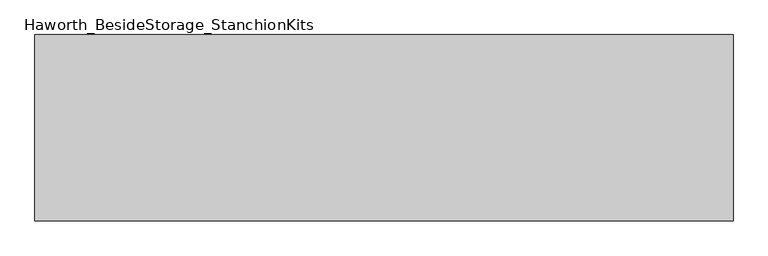
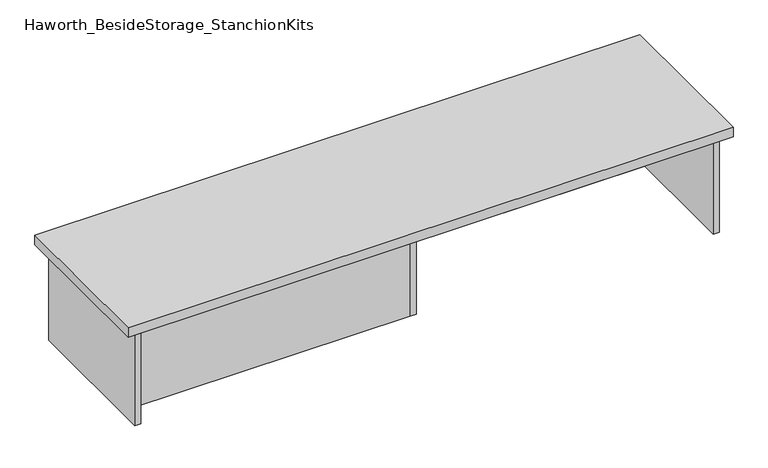
"""IFC4 building model written with IfcOpenShell, lengths in millimetres: furniture geometry, Haworth_BesideStorage_StanchionKits."""

from ifc_helpers import new_model, si_unit, frame, origin, place, context, project, spatial, polyline, outline, extrude, source, transform, mapped, element, save


def haworth_besidestorage_stanchionkits_434522c9(model_context):
    return source(origin(), model_context, "Body", "SweptSolid", [
        extrude(outline(polyline([(923.925, 0.0), (923.925, -406.4), (-600.075, -406.4), (-600.075, 0.0), (923.925, 0.0)])), frame((0.0, 0.0, 685.8), z_axis=(0.0, 0.0, 1.0), x_axis=(1.0, 0.0, 0.0)), (0.0, 0.0, 1.0), 25.4),
        extrude(outline(polyline([(169.8625, -76.2), (882.65, -76.2), (882.65, -92.075), (169.8625, -92.075), (169.8625, -76.2)])), frame((0.0, 0.0, 431.8), z_axis=(0.0, 0.0, 1.0), x_axis=(1.0, 0.0, 0.0)), (0.0, 0.0, 1.0), 254.0),
        extrude(outline(polyline([(153.9875, -314.325), (153.9875, -330.2), (-558.8, -330.2), (-558.8, -314.325), (153.9875, -314.325)])), frame((0.0, 0.0, 431.8), z_axis=(0.0, 0.0, 1.0), x_axis=(1.0, 0.0, 0.0)), (0.0, 0.0, 1.0), 254.0),
        extrude(outline(polyline([(169.8625, -330.2), (153.9875, -330.2), (153.9875, -76.2), (169.8625, -76.2), (169.8625, -330.2)])), frame((0.0, 0.0, 431.8), z_axis=(0.0, 0.0, 1.0), x_axis=(1.0, 0.0, 0.0)), (0.0, 0.0, 1.0), 254.0),
        extrude(outline(polyline([(898.525, -390.525), (882.65, -390.525), (882.65, -15.875), (898.525, -15.875), (898.525, -390.525)])), frame((0.0, 0.0, 431.8), z_axis=(0.0, 0.0, 1.0), x_axis=(1.0, 0.0, 0.0)), (0.0, 0.0, 1.0), 254.0),
        extrude(outline(polyline([(-558.8, -390.525), (-574.675, -390.525), (-574.675, -15.875), (-558.8, -15.875), (-558.8, -390.525)])), frame((0.0, 0.0, 431.8), z_axis=(0.0, 0.0, 1.0), x_axis=(1.0, 0.0, 0.0)), (0.0, 0.0, 1.0), 254.0),
    ])


if __name__ == "__main__":
    model = new_model("IFC4")
    model_context = context("Model", 3, world=origin())
    ifc_project = project(units=[si_unit("LENGTHUNIT", "METRE", prefix="MILLI")], contexts=[model_context])
    site = spatial("IfcSite", under=ifc_project)
    building = spatial("IfcBuilding", under=site)
    placement = place(None, origin())
    haworth_besidestorage_stanchionkits_shape = haworth_besidestorage_stanchionkits_434522c9(model_context)
    element("IfcFurniture", 1, ObjectType="Haworth_BesideStorage_StanchionKits", at=placement, inside=building, context=model_context, shape_type="MappedRepresentation", body=[
        mapped(haworth_besidestorage_stanchionkits_shape, transform((0.0, 0.0, 0.0), x_axis=(1.0, 0.0, 0.0), y_axis=(0.0, 1.0, 0.0), z_axis=(0.0, 0.0, 1.0))),
    ])
    save(model, "model.ifc")
